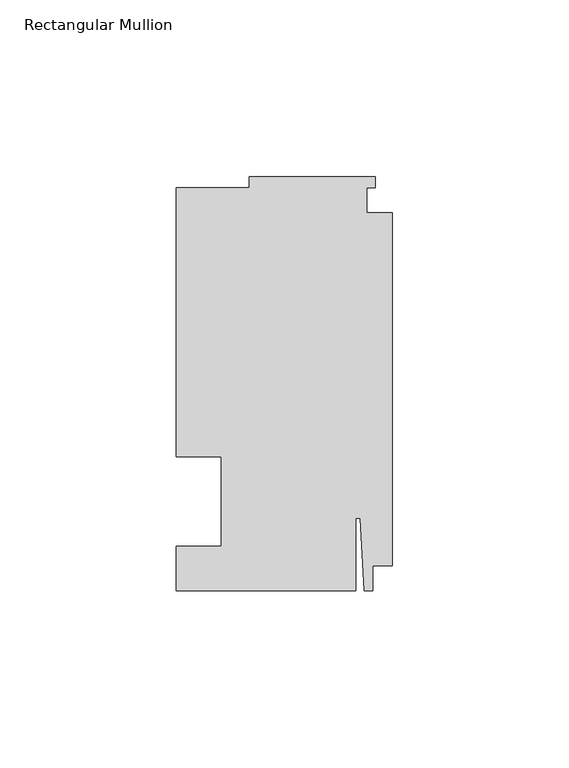
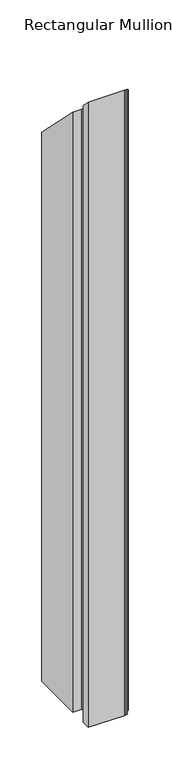
"""IFC4 building model written with IfcOpenShell, lengths in millimetres: member geometry, Rectangular Mullion."""

from ifc_helpers import new_model, si_unit, origin, place, context, project, spatial, faceted_brep, source, transform, mapped, element, save


def rectangular_mullion_3fe7a6e3(model_context):
    return source(origin(), model_context, "Body", "Brep", [
        faceted_brep([(-48.41875, 12.7, -914.4), (-61.11875, 12.7, -914.4), (-61.11875, 88.9, -914.4), (-40.48125, 88.9, -914.4), (-40.48125, 92.075, -914.4), (-4.7625, 92.075, -914.4), (-4.7625, 88.9, -914.4), (-7.14375, 88.9, -914.4), (-7.14375, 81.75625, -914.4), (0.0, 81.75625, -914.4), (0.0, -18.25625, -914.4), (-5.55625, -18.25625, -914.4), (-5.55625, -25.4, -914.4), (-7.9375, -25.4, -914.4), (-9.0190655, -4.7625, -914.4), (-10.31875, -4.7625, -914.4), (-10.31875, -25.4, -914.4), (-61.11875, -25.4, -914.4), (-61.11875, -12.7, -914.4), (-48.41875, -12.7, -914.4), (-48.41875, -12.7, 12.7), (-48.41875, 12.7, -12.7), (-61.11875, -12.7, 12.7), (-61.11875, -25.4, 25.4), (-10.31875, -25.4, 25.4), (-10.31875, -4.7625, 4.7625), (-9.0190655, -4.7625, 4.7625), (-7.9375, -25.4, 25.4), (-5.55625, -25.4, 25.4), (-5.55625, -18.25625, 18.25625), (0.0, -18.25625, 18.25625), (0.0, 81.75625, -81.75625), (-7.14375, 81.75625, -81.75625), (-7.14375, 88.9, -88.9), (-4.7625, 88.9, -88.9), (-4.7625, 92.075, -92.075), (-40.48125, 92.075, -92.075), (-40.48125, 88.9, -88.9), (-61.11875, 88.9, -88.9), (-61.11875, 12.7, -12.7)], [[[0, 1, 2, 3, 4, 5, 6, 7, 8, 9, 10, 11, 12, 13, 14, 15, 16, 17, 18, 19]], [[20, 21, 0, 19]], [[22, 20, 19, 18]], [[23, 22, 18, 17]], [[24, 23, 17, 16]], [[25, 24, 16, 15]], [[26, 25, 15, 14]], [[27, 26, 14, 13]], [[28, 27, 13, 12]], [[29, 28, 12, 11]], [[30, 29, 11, 10]], [[31, 30, 10, 9]], [[32, 31, 9, 8]], [[33, 32, 8, 7]], [[34, 33, 7, 6]], [[35, 34, 6, 5]], [[36, 35, 5, 4]], [[37, 36, 4, 3]], [[38, 37, 3, 2]], [[39, 38, 2, 1]], [[21, 39, 1, 0]], [[21, 20, 22, 23, 24, 25, 26, 27, 28, 29, 30, 31, 32, 33, 34, 35, 36, 37, 38, 39]]]),
    ])


if __name__ == "__main__":
    model = new_model("IFC4")
    model_context = context("Model", 3, world=origin())
    ifc_project = project(units=[si_unit("LENGTHUNIT", "METRE", prefix="MILLI")], contexts=[model_context])
    site = spatial("IfcSite", under=ifc_project)
    building = spatial("IfcBuilding", under=site)
    placement = place(None, origin())
    rectangular_mullion_shape = rectangular_mullion_3fe7a6e3(model_context)
    element("IfcMember", 1, ObjectType="Rectangular Mullion", at=placement, inside=building, context=model_context, shape_type="MappedRepresentation", body=[
        mapped(rectangular_mullion_shape, transform((0.0, 0.0, 0.0), x_axis=(1.0, 0.0, 0.0), y_axis=(0.0, 1.0, 0.0), z_axis=(0.0, 0.0, 1.0))),
    ])
    save(model, "model.ifc")
